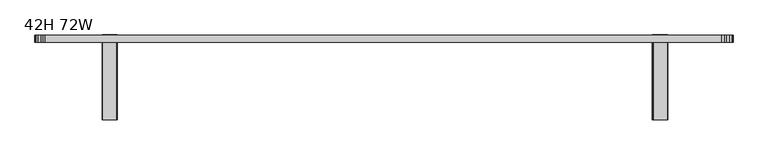
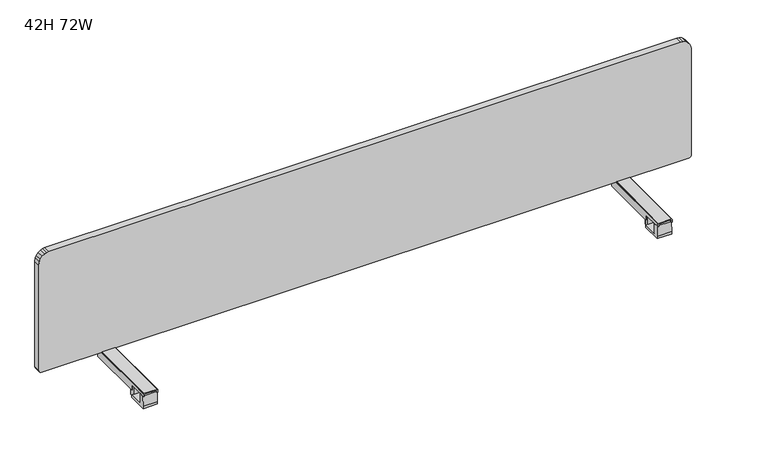
"""IFC4 building model written with IfcOpenShell, lengths in millimetres: furniture geometry, 42H 72W."""

from ifc_helpers import new_model, si_unit, frame, origin, place, context, project, spatial, polyline, outline, extrude, faceted_brep, source, transform, mapped, element, save


def furniture_42h_72w_cff3772b(model_context):
    return source(origin(), model_context, "Body", "SolidModel", [
        extrude(outline(polyline([(1645.1823822, -141.6031239), (1645.1823822, -154.2281164), (1616.18239, -154.2281164), (1616.18239, -141.6031239), (1616.7681646, -140.1889115), (1618.1823951, -139.6031279), (1643.1823953, -139.6031279), (1644.5966077, -140.1889115), (1645.1823822, -141.6031239)])), frame((0.0, 0.0, 646.9791864), z_axis=(0.0, 0.0, 1.0), x_axis=(1.0, 0.0, 0.0)), (0.0, 0.0, 1.0), 36.529965),
        extrude(outline(polyline([(-194.9781181, 683.4791388), (-194.9781181, 653.9791225), (-154.2281164, 653.9791225), (-154.2281164, 646.9791864), (-209.6031339, 646.9791864), (-209.6031339, 653.9791225), (-208.6031222, 683.4791388), (-194.9781181, 683.4791388)])), frame((1610.6823805, 0.0, 0.0), z_axis=(1.0, 0.0, 0.0), x_axis=(0.0, 1.0, 0.0)), (0.0, 0.0, 1.0), 40.0000112),
        faceted_brep([(1648.1423941, -211.9031207, 688.4791243), (1648.1423941, -211.9031207, 683.5091515), (1650.6823917, -211.9031207, 683.5091515), (1650.6823917, -211.9031207, 691.0191582), (1650.096599, -211.9031207, 692.4333887), (1648.6823866, -211.9031207, 693.0191814), (1612.6823856, -211.9031207, 693.0191814), (1611.2681732, -211.9031207, 692.4333887), (1610.6823805, -211.9031207, 691.0191582), (1610.6823805, -211.9031207, 683.5091515), (1613.2223781, -211.9031207, 683.5091515), (1613.2223781, -211.9031207, 688.4791243), (1613.8081708, -211.9031207, 689.8933548), (1615.2223832, -211.9031207, 690.4791475), (1646.142389, -211.9031207, 690.4791475), (1647.5566014, -211.9031207, 689.8933548), (1648.1423941, 9.9217944, 669.0191202), (1648.1423941, 9.9217944, 688.4791243), (1647.5566014, 9.9217944, 689.8933548), (1646.142389, 9.9217944, 690.4791475), (1615.2223832, 9.9217944, 690.4791475), (1613.8081708, 9.9217944, 689.8933548), (1613.2223781, 9.9217944, 688.4791243), (1613.2223781, 9.9217944, 669.0191202), (1610.6823805, 9.9217944, 669.0191202), (1610.6823805, 9.9217944, 691.0191582), (1611.2681732, 9.9217944, 692.4333887), (1612.6823856, 9.9217944, 693.0191814), (1648.6823866, 9.9217944, 693.0191814), (1650.096599, 9.9217944, 692.4333887), (1650.6823917, 9.9217944, 691.0191582), (1650.6823917, 9.9217944, 669.0191202), (1648.1423941, -154.103124, 669.0191202), (1648.1423941, -154.103124, 683.5091515), (1613.2223781, -154.103124, 683.5091515), (1613.2223781, -154.103124, 669.0191202), (1610.6823805, -154.103124, 669.0191202), (1610.6823805, -154.103124, 683.5091515), (1650.6823917, -154.103124, 683.5091515), (1650.6823917, -154.103124, 669.0191202)], [[[0, 1, 2, 3, 4, 5, 6, 7, 8, 9, 10, 11, 12, 13, 14, 15]], [[16, 17, 18, 19, 20, 21, 22, 23, 24, 25, 26, 27, 28, 29, 30, 31]], [[16, 32, 33, 1, 0, 17]], [[15, 18, 17, 0]], [[14, 19, 18, 15]], [[13, 20, 19, 14]], [[12, 21, 20, 13]], [[11, 22, 21, 12]], [[22, 11, 10, 34, 35, 23]], [[23, 35, 36, 24]], [[24, 36, 37, 9, 8, 25]], [[7, 26, 25, 8]], [[6, 27, 26, 7]], [[5, 28, 27, 6]], [[4, 29, 28, 5]], [[3, 30, 29, 4]], [[30, 3, 2, 38, 39, 31]], [[31, 39, 32, 16]], [[33, 32, 39, 38]], [[37, 36, 35, 34]], [[34, 10, 9, 37]], [[38, 2, 1, 33]]]),
        extrude(outline(polyline([(180.6018898, -141.6031239), (181.1876644, -140.1889115), (182.6018768, -139.6031279), (207.601877, -139.6031279), (209.0161075, -140.1889115), (209.6018821, -141.6031239), (209.6018821, -154.2281164), (180.6018898, -154.2281164), (180.6018898, -141.6031239)])), frame((0.0, 0.0, 646.9791864), z_axis=(0.0, 0.0, 1.0), x_axis=(1.0, 0.0, 0.0)), (0.0, 0.0, 1.0), 36.529965),
        extrude(outline(polyline([(-194.9781181, 683.4791388), (-194.9781181, 653.9791225), (-154.2281164, 653.9791225), (-154.2281164, 646.9791864), (-209.6031339, 646.9791864), (-209.6031339, 653.9791225), (-208.6031222, 683.4791388), (-194.9781181, 683.4791388)])), frame((175.1018803, 0.0, 0.0), z_axis=(1.0, 0.0, 0.0), x_axis=(0.0, 1.0, 0.0)), (0.0, 0.0, 1.0), 40.0000112),
        faceted_brep([(177.6418779, -211.9031207, 688.4791243), (178.2276707, -211.9031207, 689.8933548), (179.641883, -211.9031207, 690.4791475), (210.5618889, -211.9031207, 690.4791475), (211.9761012, -211.9031207, 689.8933548), (212.561894, -211.9031207, 688.4791243), (212.561894, -211.9031207, 683.5091515), (215.1018915, -211.9031207, 683.5091515), (215.1018915, -211.9031207, 691.0191582), (214.5160988, -211.9031207, 692.4333887), (213.1018864, -211.9031207, 693.0191814), (177.1018854, -211.9031207, 693.0191814), (175.6876731, -211.9031207, 692.4333887), (175.1018803, -211.9031207, 691.0191582), (175.1018803, -211.9031207, 683.5091515), (177.6418779, -211.9031207, 683.5091515), (177.6418779, 9.9217944, 669.0191202), (175.1018803, 9.9217944, 669.0191202), (175.1018803, 9.9217944, 691.0191582), (175.6876731, 9.9217944, 692.4333887), (177.1018854, 9.9217944, 693.0191814), (213.1018864, 9.9217944, 693.0191814), (214.5160988, 9.9217944, 692.4333887), (215.1018915, 9.9217944, 691.0191582), (215.1018915, 9.9217944, 669.0191202), (212.561894, 9.9217944, 669.0191202), (212.561894, 9.9217944, 688.4791243), (211.9761012, 9.9217944, 689.8933548), (210.5618889, 9.9217944, 690.4791475), (179.641883, 9.9217944, 690.4791475), (178.2276707, 9.9217944, 689.8933548), (177.6418779, 9.9217944, 688.4791243), (177.6418779, -154.103124, 683.5091515), (177.6418779, -154.103124, 669.0191202), (212.561894, -154.103124, 669.0191202), (212.561894, -154.103124, 683.5091515), (215.1018915, -154.103124, 669.0191202), (215.1018915, -154.103124, 683.5091515), (175.1018803, -154.103124, 669.0191202), (175.1018803, -154.103124, 683.5091515)], [[[0, 1, 2, 3, 4, 5, 6, 7, 8, 9, 10, 11, 12, 13, 14, 15]], [[16, 17, 18, 19, 20, 21, 22, 23, 24, 25, 26, 27, 28, 29, 30, 31]], [[16, 31, 0, 15, 32, 33]], [[1, 0, 31, 30]], [[2, 1, 30, 29]], [[3, 2, 29, 28]], [[4, 3, 28, 27]], [[5, 4, 27, 26]], [[26, 25, 34, 35, 6, 5]], [[25, 24, 36, 34]], [[24, 23, 8, 7, 37, 36]], [[9, 8, 23, 22]], [[10, 9, 22, 21]], [[11, 10, 21, 20]], [[12, 11, 20, 19]], [[13, 12, 19, 18]], [[18, 17, 38, 39, 14, 13]], [[17, 16, 33, 38]], [[32, 39, 38, 33]], [[37, 35, 34, 36]], [[39, 32, 15, 14]], [[35, 37, 7, 6]]]),
        extrude(outline(polyline([(1020.8893957, 1.0963127), (1010.5519318, 0.0), (699.3482108, 0.0), (697.1660213, 0.3957254), (695.7830389, 1.0884753), (694.849157, 1.8580863), (694.2090071, 2.6150063), (693.3471411, 4.2477782), (692.9891687, 6.3455874), (692.9891687, 1814.5798608), (693.3349325, 1816.6315524), (693.9944853, 1818.004579), (694.849375, 1819.0650521), (695.9120281, 1819.9240113), (697.3725494, 1820.6108153), (699.3104612, 1820.9225533), (1012.7352207, 1820.9225533), (1020.9486944, 1819.6925574), (1027.5224938, 1816.9975911), (1034.3988182, 1811.5647832), (1039.0993307, 1804.9735431), (1041.5121195, 1799.0282664), (1042.2645687, 1791.8595043), (1042.2645687, 27.5655904), (1041.4720784, 21.848712), (1039.1068884, 15.9030959), (1034.3970742, 9.339178), (1027.5243832, 3.9346733), (1020.8893957, 1.0963127)])), frame((0.0, -9.5249194, 0.0), z_axis=(0.0, 1.0, 0.0), x_axis=(0.0, 0.0, 1.0)), (0.0, 0.0, 1.0), 19.0498388),
    ])


if __name__ == "__main__":
    model = new_model("IFC4")
    model_context = context("Model", 3, world=origin())
    ifc_project = project(units=[si_unit("LENGTHUNIT", "METRE", prefix="MILLI")], contexts=[model_context])
    site = spatial("IfcSite", under=ifc_project)
    building = spatial("IfcBuilding", under=site)
    placement = place(None, origin())
    furniture_42h_72w_shape = furniture_42h_72w_cff3772b(model_context)
    element("IfcFurniture", 1, ObjectType="42H 72W", at=placement, inside=building, context=model_context, shape_type="MappedRepresentation", body=[
        mapped(furniture_42h_72w_shape, transform((0.0, 0.0, 0.0), x_axis=(1.0, 0.0, 0.0), y_axis=(0.0, 1.0, 0.0), z_axis=(0.0, 0.0, 1.0))),
    ])
    save(model, "model.ifc")
